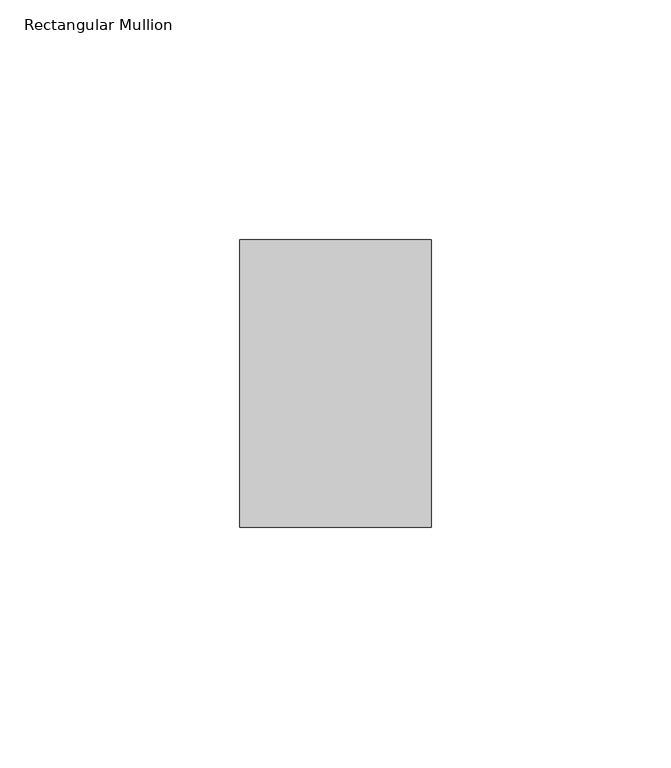
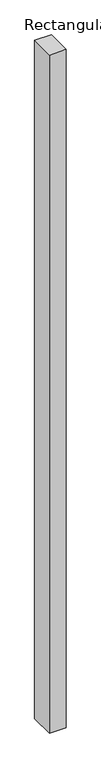
"""IFC4 building model written with IfcOpenShell, lengths in millimetres: member geometry, Rectangular Mullion."""

import ifcopenshell
import ifcopenshell.guid

model = None  # the IFC model being written
_history = None  # IfcOwnerHistory: only IFC2X3 demands one
_inside = {}  # id of a spatial element -> (the spatial element, [elements in it])
_under = {}  # id of a project, library or spatial element -> (it, [spatial elements below it])
_declared = {}  # id of a project -> (the project, [libraries it declares])
_typed = {}  # id of a type object -> (the type object, [elements of that type])
_made_of = {}  # id of a material, layer set ... -> (it, [elements and type objects made of it])


def new_model(schema):
    """Start an empty IFC model of exactly this schema.

    Asked for "IFC4X3", IfcOpenShell would pick the latest addendum, in which some entities
    have other attributes; the version numbers below select the first issue.
    IFC2X3 requires an IfcOwnerHistory on every rooted entity: one is made here for all.
    """
    global model, _history
    if schema == "IFC4X3":
        model = ifcopenshell.file(schema_version=(4, 3, 0, 0))
    else:
        model = ifcopenshell.file(schema=schema)
    _inside.clear()
    _under.clear()
    _declared.clear()
    _typed.clear()
    _made_of.clear()
    _history = None
    if model.schema == "IFC2X3":
        org = make("IfcOrganization", Name="unknown")
        user = make(
            "IfcPersonAndOrganization",
            ThePerson=make("IfcPerson", FamilyName="unknown"),
            TheOrganization=org,
        )
        app = make(
            "IfcApplication",
            ApplicationDeveloper=org,
            Version="unknown",
            ApplicationFullName="unknown",
            ApplicationIdentifier="unknown",
        )
        _history = make(
            "IfcOwnerHistory",
            OwningUser=user,
            OwningApplication=app,
            ChangeAction="ADDED",
            CreationDate=0,
        )
    return model


def make(cls, **values):
    """One entity of the class cls with the attributes given. An attribute that is None is left unset."""
    return model.create_entity(
        cls, **{name: value for name, value in values.items() if value is not None}
    )


def rooted(cls, **values):
    """An entity with a GlobalId (a new one), such as an element, a storey or a relation."""
    return make(cls, GlobalId=ifcopenshell.guid.new(), OwnerHistory=_history, **values)


def si_unit(unit_type, name, prefix=None):
    """IfcSIUnit, for example si_unit("LENGTHUNIT", "METRE", prefix="MILLI")."""
    return make("IfcSIUnit", UnitType=unit_type, Prefix=prefix, Name=name)


def assignment(units):
    """IfcUnitAssignment: the units of a project."""
    return None if units is None else make("IfcUnitAssignment", Units=units)


def point(xyz):
    """IfcCartesianPoint."""
    return None if xyz is None else make("IfcCartesianPoint", Coordinates=xyz)


def direction(xyz):
    """IfcDirection."""
    return None if xyz is None else make("IfcDirection", DirectionRatios=xyz)


def frame(location, z_axis=None, x_axis=None):
    """IfcAxis2Placement3D, a coordinate frame: its origin and axes. An axis left out is left unset."""
    return make(
        "IfcAxis2Placement3D",
        Location=point(location),
        Axis=direction(z_axis),
        RefDirection=direction(x_axis),
    )


def origin():
    """The frame at (0, 0, 0) with its axes left unset."""
    return frame((0.0, 0.0, 0.0))


def place(relative_to, where):
    """IfcLocalPlacement: puts the frame where relative to a parent placement (None: the world)."""
    return make(
        "IfcLocalPlacement", PlacementRelTo=relative_to, RelativePlacement=where
    )


def context(
    kind, dimensions, precision=None, world=None, true_north=None, identifier=None
):
    """IfcGeometricRepresentationContext, for example the 3D "Model" context."""
    return make(
        "IfcGeometricRepresentationContext",
        ContextIdentifier=identifier,
        ContextType=kind,
        CoordinateSpaceDimension=dimensions,
        Precision=precision,
        WorldCoordinateSystem=world,
        TrueNorth=true_north,
    )


def project(units=None, contexts=None):
    """IfcProject with its units and contexts."""
    return rooted(
        "IfcProject",
        Name="project",
        RepresentationContexts=contexts,
        UnitsInContext=assignment(units),
    )


def spatial(cls, under=None, at=None, **own):
    """A site, building, storey or space (cls), placed at a placement, below another one or the project."""
    s = rooted(cls, ObjectPlacement=at, **own)
    if under is not None:
        _under.setdefault(under.id(), (under, []))[1].append(s)
    return s


def polyline(points):
    """IfcPolyline through the points."""
    return make("IfcPolyline", Points=[point(p) for p in points])


def outline(outer, holes=None, kind="AREA"):
    """IfcArbitraryClosedProfileDef: a profile drawn as a closed curve; with holes, ...WithVoids."""
    if holes is None:
        return make("IfcArbitraryClosedProfileDef", ProfileType=kind, OuterCurve=outer)
    return make(
        "IfcArbitraryProfileDefWithVoids",
        ProfileType=kind,
        OuterCurve=outer,
        InnerCurves=holes,
    )


def extrude(swept, where, along, depth):
    """IfcExtrudedAreaSolid: the profile swept, set in the frame where, extruded along a direction by depth."""
    return make(
        "IfcExtrudedAreaSolid",
        SweptArea=swept,
        Position=where,
        ExtrudedDirection=direction(along),
        Depth=depth,
    )


def shape(context_of_items, identifier, shape_type, items):
    """IfcShapeRepresentation: the items that make up one representation, for example the "Body"."""
    return make(
        "IfcShapeRepresentation",
        ContextOfItems=context_of_items,
        RepresentationIdentifier=identifier,
        RepresentationType=shape_type,
        Items=items,
    )


def source(mapping_origin, context_of_items, identifier, shape_type, items):
    """IfcRepresentationMap: a shape defined once, which mapped items show again and again."""
    return make(
        "IfcRepresentationMap",
        MappingOrigin=mapping_origin,
        MappedRepresentation=shape(context_of_items, identifier, shape_type, items),
    )


def transform(
    local_origin,
    x_axis=None,
    y_axis=None,
    z_axis=None,
    scale=None,
    scale2=None,
    scale3=None,
    uniform=True,
):
    """IfcCartesianTransformationOperator3D, or its non-uniform kind. x_axis, y_axis, z_axis: its Axis1, 2, 3."""
    if uniform:
        return make(
            "IfcCartesianTransformationOperator3D",
            Axis1=direction(x_axis),
            Axis2=direction(y_axis),
            LocalOrigin=point(local_origin),
            Scale=scale,
            Axis3=direction(z_axis),
        )
    return make(
        "IfcCartesianTransformationOperator3DnonUniform",
        Axis1=direction(x_axis),
        Axis2=direction(y_axis),
        LocalOrigin=point(local_origin),
        Scale=scale,
        Axis3=direction(z_axis),
        Scale2=scale2,
        Scale3=scale3,
    )


def mapped(mapping_source, mapping_target):
    """IfcMappedItem: shows the shape of a source again, moved by a transform."""
    return make(
        "IfcMappedItem", MappingSource=mapping_source, MappingTarget=mapping_target
    )


def made_of(thing, what):
    """Note that an element or type object is made of a material, layer set ...; save() writes the relation."""
    if what is not None:
        _made_of.setdefault(what.id(), (what, []))[1].append(thing)
    return thing


def element(
    cls,
    number,
    at=None,
    inside=None,
    cuts=None,
    type_object=None,
    material=None,
    context=None,
    identifier="Body",
    shape_type=None,
    held_by="IfcProductDefinitionShape",
    body=None,
    shapes=None,
    **own,
):
    """One element of the class cls, such as IfcWall. Its Tag is "e" and its number.

    at: its placement. inside: the storey or other place that contains it. cuts: it is an
    opening in that element (IfcRelVoidsElement). A single representation is given by context,
    identifier, shape_type and body (its items); several are given by shapes. held_by: the class
    of the entity that holds the representations. save() writes the other relations.
    """
    e = rooted(cls, Tag="e%d" % number, ObjectPlacement=at, **own)
    if body is not None:
        shapes = [shape(context, identifier, shape_type, body)]
    if shapes is not None:
        e.Representation = make(held_by, Representations=shapes)
    if inside is not None:
        _inside.setdefault(inside.id(), (inside, []))[1].append(e)
    if cuts is not None:
        rooted(
            "IfcRelVoidsElement", RelatingBuildingElement=cuts, RelatedOpeningElement=e
        )
    if type_object is not None:
        _typed.setdefault(type_object.id(), (type_object, []))[1].append(e)
    return made_of(e, material)


def aggregate(whole, parts):
    """IfcRelAggregates: a whole, such as a stair, and the parts it consists of."""
    return rooted("IfcRelAggregates", RelatingObject=whole, RelatedObjects=parts)


def save(model, path):
    """Write the relations noted so far, then the file.

    IfcRelAggregates (storeys below a building ...), IfcRelContainedInSpatialStructure (elements
    in a storey), IfcRelDefinesByType, IfcRelAssociatesMaterial and IfcRelDeclares: one each for
    every whole, place, type object, material and project.
    """
    for whole, parts in _under.values():
        aggregate(whole, parts)
    for where, things in _inside.values():
        rooted(
            "IfcRelContainedInSpatialStructure",
            RelatedElements=things,
            RelatingStructure=where,
        )
    for kind, things in _typed.values():
        rooted("IfcRelDefinesByType", RelatedObjects=things, RelatingType=kind)
    for what, things in _made_of.values():
        rooted("IfcRelAssociatesMaterial", RelatedObjects=things, RelatingMaterial=what)
    for by, libraries in _declared.values():
        rooted("IfcRelDeclares", RelatingContext=by, RelatedDefinitions=libraries)
    model.write(path)


def rectangular_mullion_a448e67c(model_context):
    return source(origin(), model_context, "Body", "SweptSolid", [
        extrude(outline(polyline([(20.0, 65.0), (20.0, 5.0), (-20.0, 5.0), (-20.0, 65.0), (20.0, 65.0)])), frame((0.0, 0.0, -1700.0), z_axis=(0.0, 0.0, 1.0), x_axis=(1.0, 0.0, 0.0)), (0.0, 0.0, 1.0), 1700.0),
    ])


if __name__ == "__main__":
    model = new_model("IFC4")
    model_context = context("Model", 3, world=origin())
    ifc_project = project(units=[si_unit("LENGTHUNIT", "METRE", prefix="MILLI")], contexts=[model_context])
    site = spatial("IfcSite", under=ifc_project)
    building = spatial("IfcBuilding", under=site)
    placement = place(None, origin())
    rectangular_mullion_shape = rectangular_mullion_a448e67c(model_context)
    element("IfcMember", 1, ObjectType="Rectangular Mullion", at=placement, inside=building, context=model_context, shape_type="MappedRepresentation", body=[
        mapped(rectangular_mullion_shape, transform((0.0, 0.0, 0.0), x_axis=(1.0, 0.0, 0.0), y_axis=(0.0, 1.0, 0.0), z_axis=(0.0, 0.0, 1.0))),
    ])
    save(model, "model.ifc")
